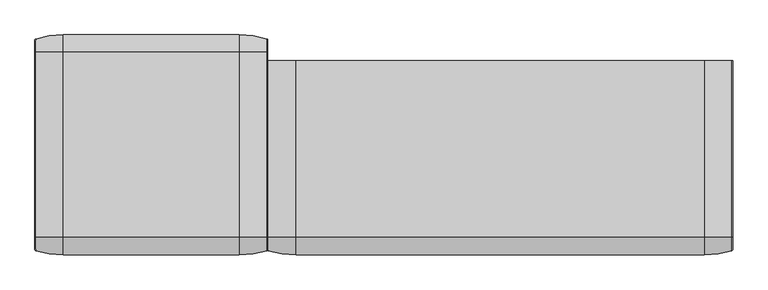
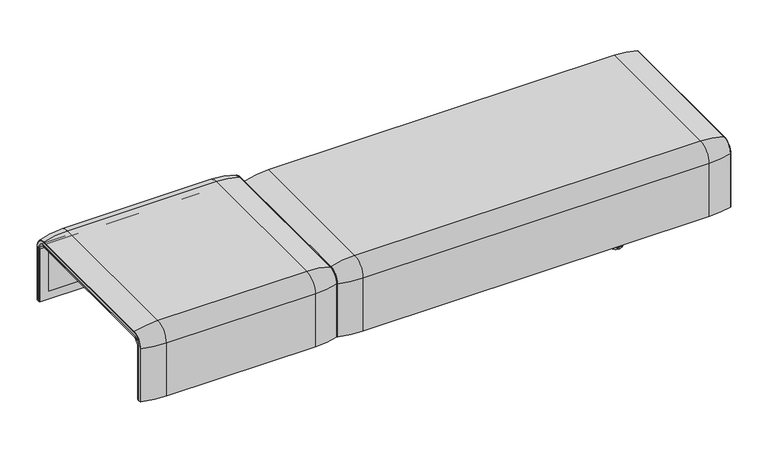
"""IFC4 building model written with IfcOpenShell, lengths in millimetres: furniture geometry."""

from ifc_helpers import new_model, si_unit, point, frame, frame_2d, origin, place, context, project, spatial, polyline, circle_curve, ellipse_curve, trimmed, segment, composite_curve, outline, extrude, source, transform, mapped, element, save
from ifc_brep_helpers import plane_surface, cylinder_surface, revolved_surface, advanced_brep


def furniture_1b96b6ef(model_context):
    return source(origin(), model_context, "Body", "SolidModel", [
        advanced_brep(
        [(-407.9906244, 295.0, 359.922434), (-407.9906244, -323.7517936, 359.922434), (-407.9906244, -351.0, 332.6742277), (-407.9906244, -351.0, 100.5089435), (-407.9906244, -357.5, 100.5089435), (-407.9906244, -357.5, 333.0583003), (-407.9906244, -324.3858663, 366.172434), (-407.9906244, 295.0, 366.172434), (1223.9718733, 295.0, 359.922434), (1223.9718733, 295.0, 366.172434), (1223.9718733, -324.3858663, 366.172434), (1223.9718733, -357.5, 333.0583003), (1223.9718733, -357.5, 100.5089435), (1223.9718733, -351.0, 100.5089435), (1223.9718733, -351.0, 332.6742277), (1223.9718733, -323.7517936, 359.922434), (-373.0906244, -324.3858663, 366.172434), (-373.0906244, 260.0, 366.172434), (1189.0718733, 260.0, 366.172434), (1189.0718733, -324.3858663, 366.172434), (-373.0906244, -357.5, 333.0583003), (1189.0718733, -357.5, 333.0583003), (1189.0718733, -357.5, 135.3766997), (-373.0906244, -357.5, 135.3766997), (-373.0906244, -351.0, 332.6742277), (-373.0906244, -351.0, 135.3766997), (1189.0718733, -351.0, 135.3766997), (1189.0718733, -351.0, 332.6742277), (-373.0906244, -323.7517936, 359.922434), (1189.0718733, -323.7517936, 359.922434), (1189.0718733, 260.0, 359.922434), (-373.0906244, 260.0, 359.922434)],
        [
            (0, 1),
            (1, 2, circle_curve(frame((-407.9906244, -323.7517936, 332.6742277), z_axis=(1.0, 0.0, 0.0), x_axis=(0.0, -1.0, 0.0)), 27.2482064)),
            (2, 3),
            (3, 4),
            (4, 5),
            (5, 6, circle_curve(frame((-407.9906244, -324.3858663, 333.0583003), z_axis=(-1.0, 0.0, 0.0), x_axis=(0.0, -1.0, 0.0)), 33.1141337)),
            (6, 7),
            (7, 0),
            (8, 9),
            (9, 10),
            (10, 11, circle_curve(frame((1223.9718733, -324.3858663, 333.0583003), z_axis=(1.0, 0.0, 0.0), x_axis=(0.0, -1.0, 0.0)), 33.1141337)),
            (11, 12),
            (12, 13),
            (13, 14),
            (14, 15, circle_curve(frame((1223.9718733, -323.7517936, 332.6742277), z_axis=(-1.0, 0.0, 0.0), x_axis=(0.0, -1.0, 0.0)), 27.2482064)),
            (15, 8),
            (7, 9),
            (8, 0),
            (6, 16),
            (16, 17),
            (17, 18),
            (18, 19),
            (19, 10),
            (5, 20),
            (20, 16, circle_curve(frame((-373.0906244, -324.3858663, 333.0583003), z_axis=(-1.0, 0.0, 0.0), x_axis=(0.0, -1.0, 0.0)), 33.1141337)),
            (19, 21, circle_curve(frame((1189.0718733, -324.3858663, 333.0583003), z_axis=(1.0, 0.0, 0.0), x_axis=(0.0, -1.0, 0.0)), 33.1141337)),
            (21, 11),
            (4, 12),
            (21, 22),
            (22, 23),
            (23, 20),
            (3, 13),
            (2, 24),
            (24, 25),
            (25, 26),
            (26, 27),
            (27, 14),
            (1, 28),
            (28, 24, circle_curve(frame((-373.0906244, -323.7517936, 332.6742277), z_axis=(1.0, 0.0, 0.0), x_axis=(0.0, -1.0, 0.0)), 27.2482064)),
            (27, 29, circle_curve(frame((1189.0718733, -323.7517936, 332.6742277), z_axis=(-1.0, 0.0, 0.0), x_axis=(0.0, -1.0, 0.0)), 27.2482064)),
            (29, 15),
            (29, 30),
            (30, 31),
            (31, 28),
            (31, 17),
            (23, 25),
            (26, 22),
            (18, 30),
        ],
        [
            plane_surface(frame((-407.9906244, -296.9265415, 359.922434), z_axis=(-1.0, 0.0, 0.0), x_axis=(0.0, -1.0, 0.0))),
            plane_surface(frame((1223.9718733, -296.9265415, 359.922434), z_axis=(1.0, 0.0, 0.0), x_axis=(0.0, 1.0, 0.0))),
            plane_surface(frame((-407.9906244, 295.0, 366.172434), z_axis=(0.0, 1.0, 0.0), x_axis=(1.0, 0.0, 0.0))),
            plane_surface(frame((-407.9906244, -324.3858663, 366.172434), z_axis=(0.0, 0.0, 1.0), x_axis=(1.0, 0.0, 0.0))),
            cylinder_surface(frame((1223.9718733, -324.3858663, 333.0583003), z_axis=(-1.0, 0.0, 0.0), x_axis=(0.0, -1.0, 0.0)), 33.1141337),
            plane_surface(frame((-407.9906244, -357.5, 100.5089435), z_axis=(0.0, -1.0, 0.0), x_axis=(1.0, 0.0, 0.0))),
            plane_surface(frame((-407.9906244, -351.0, 100.5089435), z_axis=(0.0, 0.0, -1.0), x_axis=(1.0, 0.0, 0.0))),
            plane_surface(frame((-407.9906244, -351.0, 332.6742277), z_axis=(0.0, 1.0, 0.0), x_axis=(1.0, 0.0, 0.0))),
            revolved_surface(polyline([(-373.0906244, -351.0, 332.6742277), (-407.9906243999999, -351.0, 332.6742277)]), (1223.9718733, -323.7517936, 332.6742277), (1.0, 0.0, 0.0)),
            revolved_surface(polyline([(1223.9718733, -351.0, 332.6742277), (1189.0718733, -351.0, 332.6742277)]), (1223.9718733, -323.7517936, 332.6742277), (1.0, 0.0, 0.0)),
            plane_surface(frame((-407.9906244, 295.0, 359.922434), z_axis=(0.0, 0.0, -1.0), x_axis=(1.0, 0.0, 0.0))),
            plane_surface(frame((-373.0906244, -296.9265415, 359.922434), z_axis=(1.0, 0.0, 0.0), x_axis=(0.0, -1.0, 0.0))),
            plane_surface(frame((1189.0718733, -296.9265415, 359.922434), z_axis=(-1.0, 0.0, 0.0), x_axis=(0.0, 1.0, 0.0))),
            plane_surface(frame((-373.0906244, 260.0, 366.172434), z_axis=(0.0, -1.0, 0.0), x_axis=(1.0, 0.0, 0.0))),
            plane_surface(frame((-373.0906244, -351.0, 135.3766997), z_axis=(0.0, 0.0, 1.0), x_axis=(1.0, 0.0, 0.0))),
        ],
        [
            (0, [[1, 2, 3, 4, 5, 6, 7, 8]]),
            (1, [[9, 10, 11, 12, 13, 14, 15, 16]]),
            (2, [[-8, 17, -9, 18]]),
            (3, [[-7, 19, 20, 21, 22, 23, -10, -17]]),
            (4, [[-6, 24, 25, -19]]),
            (4, [[-11, -23, 26, 27]]),
            (5, [[-5, 28, -12, -27, 29, 30, 31, -24]]),
            (6, [[-4, 32, -13, -28]]),
            (7, [[-3, 33, 34, 35, 36, 37, -14, -32]]),
            (8, [[-2, 38, 39, -33]]),
            (9, [[-15, -37, 40, 41]]),
            (10, [[-1, -18, -16, -41, 42, 43, 44, -38]]),
            (11, [[45, -20, -25, -31, 46, -34, -39, -44]]),
            (12, [[47, -29, -26, -22, 48, -42, -40, -36]]),
            (13, [[-45, -43, -48, -21]]),
            (14, [[-46, -30, -47, -35]]),
        ],
    ),
        extrude(outline(composite_curve([segment(polyline([(260.0, 359.922434), (-323.7517936, 359.922434)]), True, "CONTINUOUS"), segment(trimmed(circle_curve(frame_2d((-323.7517936, 332.6742277)), 27.2482064), [point((-323.7517936, 359.922434))], [point((-351.0, 332.6742277))], True, "CARTESIAN"), True, "CONTINUOUS"), segment(polyline([(-351.0, 332.6742277), (-351.0, 135.3766997), (-357.5, 135.3766997), (-357.5, 333.0583003)]), True, "CONTINUOUS"), segment(trimmed(circle_curve(frame_2d((-324.3858663, 333.0583003)), 33.1141337), [point((-357.5, 333.0583003))], [point((-324.3858663, 366.172434))], False, "CARTESIAN"), True, "CONTINUOUS"), segment(polyline([(-324.3858663, 366.172434), (260.0, 366.172434), (260.0, 359.922434)]), True, "CONTINUOUS")], self_intersect=False)), frame((-373.0906244, 0.0, 0.0), z_axis=(1.0, 0.0, 0.0), x_axis=(0.0, 1.0, 0.0)), (0.0, 0.0, 1.0), 1562.1624977),
        advanced_brep(
        [(-407.9906244, -368.7793679, 100.5089435), (-407.9906244, -357.5, 100.5089435), (1223.9718733, -357.5, 100.5089435), (1223.9718733, -368.7793679, 100.5089435), (1221.8332448, -371.6530483, 100.5089435), (1123.9718733, -386.0043559, 100.5089435), (-307.9906244, -386.0043559, 100.5089435), (-405.8519959, -371.6530483, 100.5089435), (-407.9906244, 295.0, 377.4518019), (-405.8519959, 295.0, 380.3254823), (-307.9906244, 295.0, 394.67679), (1123.9718733, 295.0, 394.67679), (1221.8332448, 295.0, 380.3254823), (1223.9718733, 295.0, 377.4518019), (1223.9718733, 295.0, 366.172434), (-407.9906244, 295.0, 366.172434), (-407.9906244, -368.7793679, 333.0583003), (-407.9906244, -324.3858663, 377.4518019), (-407.9906244, -324.3858663, 366.172434), (-407.9906244, -357.5, 333.0583003), (1223.9718733, -357.5, 333.0583003), (1123.9718733, -386.0043559, 333.0583003), (-307.9906244, -386.0043559, 333.0583003), (-405.8519959, -371.6530483, 333.0583003), (1223.9718733, -324.3858663, 366.172434), (-307.9906244, -324.3858663, 394.67679), (1123.9718733, -324.3858663, 394.67679), (-405.8519959, -324.3858663, 380.3254823), (1223.9718733, -324.3858663, 377.4518019), (1223.9718733, -368.7793679, 333.0583003), (1221.8332448, -371.6530483, 333.0583003), (1221.8332448, -324.3858663, 380.3254823)],
        [
            (0, 1),
            (1, 2),
            (2, 3),
            (3, 4, circle_curve(frame((1220.9718733, -368.7793679, 100.5089435), z_axis=(0.0, 0.0, -1.0), x_axis=(-1.0, 0.0, 0.0)), 3.0)),
            (4, 5, circle_curve(frame((1123.9718733, -45.1710226, 100.5089435), z_axis=(0.0, 0.0, -1.0), x_axis=(0.0, 1.0, 0.0)), 340.8333333)),
            (5, 6),
            (6, 7, circle_curve(frame((-307.9906244, -45.1710226, 100.5089435), z_axis=(0.0, 0.0, -1.0), x_axis=(0.0, 1.0, 0.0)), 340.8333333)),
            (7, 0, circle_curve(frame((-404.9906244, -368.7793679, 100.5089435), z_axis=(0.0, 0.0, -1.0), x_axis=(1.0, 0.0, 0.0)), 3.0)),
            (8, 9, circle_curve(frame((-404.9906244, 295.0, 377.4518019), z_axis=(0.0, 1.0, 0.0), x_axis=(1.0, 0.0, 0.0)), 3.0)),
            (9, 10, circle_curve(frame((-307.9906244, 295.0, 53.8434566), z_axis=(0.0, 1.0, 0.0), x_axis=(0.0, 0.0, -1.0)), 340.8333333)),
            (10, 11),
            (11, 12, circle_curve(frame((1123.9718733, 295.0, 53.8434566), z_axis=(0.0, 1.0, 0.0), x_axis=(0.0, 0.0, -1.0)), 340.8333333)),
            (12, 13, circle_curve(frame((1220.9718733, 295.0, 377.4518019), z_axis=(0.0, 1.0, 0.0), x_axis=(-1.0, 0.0, 0.0)), 3.0)),
            (13, 14),
            (14, 15),
            (15, 8),
            (0, 16),
            (16, 17, circle_curve(frame((-407.9906244, -324.3858663, 333.0583003), z_axis=(-1.0, 0.0, 0.0), x_axis=(0.0, -1.0, 0.0)), 44.3935016)),
            (17, 8),
            (15, 18),
            (18, 19, circle_curve(frame((-407.9906244, -324.3858663, 333.0583003), z_axis=(1.0, 0.0, 0.0), x_axis=(0.0, -1.0, 0.0)), 33.1141337)),
            (19, 1),
            (19, 20),
            (20, 2),
            (5, 21),
            (21, 22),
            (22, 6),
            (22, 23, circle_curve(frame((-307.9906244, -45.1710226, 333.0583003), z_axis=(0.0, 0.0, -1.0), x_axis=(0.0, 1.0, 0.0)), 340.8333333)),
            (23, 7),
            (23, 16, circle_curve(frame((-404.9906244, -368.7793679, 333.0583003), z_axis=(0.0, 0.0, -1.0), x_axis=(1.0, 0.0, 0.0)), 3.0)),
            (24, 20, circle_curve(frame((1223.9718733, -324.3858663, 333.0583003), z_axis=(1.0, 0.0, 0.0), x_axis=(0.0, -1.0, 0.0)), 33.1141337)),
            (18, 24),
            (25, 22, circle_curve(frame((-307.9906244, -324.3858663, 333.0583003), z_axis=(1.0, 0.0, 0.0), x_axis=(0.0, -1.0, 0.0)), 61.6184897)),
            (21, 26, circle_curve(frame((1123.9718733, -324.3858663, 333.0583003), z_axis=(-1.0, 0.0, 0.0), x_axis=(0.0, -1.0, 0.0)), 61.6184897)),
            (26, 25),
            (27, 23, circle_curve(frame((-405.8519959, -324.3858663, 333.0583003), z_axis=(1.0, 0.0, 0.0), x_axis=(0.0, -1.0, 0.0)), 47.267182)),
            (25, 27, circle_curve(frame((-307.9906244, -324.3858663, 53.8434566), z_axis=(0.0, -1.0, 0.0), x_axis=(0.0, 0.0, -1.0)), 340.8333333)),
            (27, 17, circle_curve(frame((-404.9906244, -324.3858663, 377.4518019), z_axis=(0.0, -1.0, 0.0), x_axis=(1.0, 0.0, 0.0)), 3.0)),
            (14, 24),
            (26, 11),
            (10, 25),
            (9, 27),
            (13, 28),
            (28, 29, circle_curve(frame((1223.9718733, -324.3858663, 333.0583003), z_axis=(1.0, 0.0, 0.0), x_axis=(0.0, -1.0, 0.0)), 44.3935016)),
            (29, 3),
            (29, 30, circle_curve(frame((1220.9718733, -368.7793679, 333.0583003), z_axis=(0.0, 0.0, -1.0), x_axis=(-1.0, 0.0, 0.0)), 3.0)),
            (30, 4),
            (30, 21, circle_curve(frame((1123.9718733, -45.1710226, 333.0583003), z_axis=(0.0, 0.0, -1.0), x_axis=(0.0, 1.0, 0.0)), 340.8333333)),
            (31, 30, circle_curve(frame((1221.8332448, -324.3858663, 333.0583003), z_axis=(1.0, 0.0, 0.0), x_axis=(0.0, -1.0, 0.0)), 47.267182)),
            (28, 31, circle_curve(frame((1220.9718733, -324.3858663, 377.4518019), z_axis=(0.0, -1.0, 0.0), x_axis=(-1.0, 0.0, 0.0)), 3.0)),
            (31, 26, circle_curve(frame((1123.9718733, -324.3858663, 53.8434566), z_axis=(0.0, -1.0, 0.0), x_axis=(0.0, 0.0, -1.0)), 340.8333333)),
            (12, 31),
        ],
        [
            plane_surface(frame((-407.9906244, -357.5, 100.5089435), z_axis=(0.0, 0.0, -1.0), x_axis=(1.0, 0.0, 0.0))),
            plane_surface(frame((-407.9906244, 295.0, 366.172434), z_axis=(0.0, 1.0, 0.0), x_axis=(1.0, 0.0, 0.0))),
            plane_surface(frame((-407.9906244, -368.7793679, 100.5089435), z_axis=(-1.0, 0.0, 0.0), x_axis=(0.0, 0.0, 1.0))),
            plane_surface(frame((-407.9906244, -357.5, 100.5089435), z_axis=(0.0, 1.0, 0.0), x_axis=(0.0, 0.0, 1.0))),
            plane_surface(frame((1123.9718733, -386.0043559, 100.5089435), z_axis=(0.0, -1.0, 0.0), x_axis=(0.0, 0.0, 1.0))),
            cylinder_surface(frame((-307.9906244, -45.1710226, 100.5089435), z_axis=(0.0, 0.0, -1.0), x_axis=(0.0, 1.0, 0.0)), 340.8333333),
            cylinder_surface(frame((-404.9906244, -368.7793679, 100.5089435), z_axis=(0.0, 0.0, -1.0), x_axis=(1.0, 0.0, 0.0)), 3.0),
            revolved_surface(polyline([(-407.9906244, -357.5, 333.0583003), (1223.9718733, -357.5, 333.0583003)]), (-407.9906244, -324.3858663, 333.0583003), (-1.0, 0.0, 0.0)),
            cylinder_surface(frame((-407.9906244, -324.3858663, 333.0583003), z_axis=(-1.0, 0.0, 0.0), x_axis=(0.0, -1.0, 0.0)), 61.6184897),
            revolved_surface(trimmed(ellipse_curve(frame((-307.9906244, -45.1710226, 333.0583003), z_axis=(0.0, 0.0, -1.0), x_axis=(0.0, 1.0, 0.0)), 340.8333333, 340.8333333), [point((-307.9906244, -386.0043559, 333.0583003))], [point((-405.8519959, -371.6530483, 333.0583003))], True, "CARTESIAN"), (-407.9906244, -324.3858663, 333.0583003), (-1.0, 0.0, 0.0)),
            revolved_surface(trimmed(ellipse_curve(frame((-404.9906244, -368.7793679, 333.0583003), z_axis=(0.0, 0.0, -1.0), x_axis=(1.0, 0.0, 0.0)), 3.0, 3.0), [point((-405.8519959, -371.6530483, 333.0583003))], [point((-407.9906244, -368.7793679, 333.0583003))], True, "CARTESIAN"), (-407.9906244, -324.3858663, 333.0583003), (-1.0, 0.0, 0.0)),
            plane_surface(frame((-407.9906244, -324.3858663, 366.172434), z_axis=(0.0, 0.0, -1.0), x_axis=(0.0, 1.0, 0.0))),
            plane_surface(frame((1123.9718733, -324.3858663, 394.67679), z_axis=(0.0, 0.0, 1.0), x_axis=(0.0, 1.0, 0.0))),
            cylinder_surface(frame((-307.9906244, -324.3858663, 53.8434566), z_axis=(0.0, -1.0, 0.0), x_axis=(0.0, 0.0, -1.0)), 340.8333333),
            cylinder_surface(frame((-404.9906244, -324.3858663, 377.4518019), z_axis=(0.0, -1.0, 0.0), x_axis=(1.0, 0.0, 0.0)), 3.0),
            plane_surface(frame((1223.9718733, -357.5, 100.5089435), z_axis=(1.0, 0.0, 0.0), x_axis=(0.0, 0.0, 1.0))),
            cylinder_surface(frame((1220.9718733, -368.7793679, 100.5089435), z_axis=(0.0, 0.0, -1.0), x_axis=(-1.0, 0.0, 0.0)), 3.0),
            cylinder_surface(frame((1123.9718733, -45.1710226, 100.5089435), z_axis=(0.0, 0.0, -1.0), x_axis=(0.0, 1.0, 0.0)), 340.8333333),
            revolved_surface(trimmed(ellipse_curve(frame((1220.9718733, -368.7793679, 333.0583003), z_axis=(0.0, 0.0, -1.0), x_axis=(-1.0, 0.0, 0.0)), 3.0, 3.0), [point((1223.9718733, -368.7793679, 333.0583003))], [point((1221.8332448, -371.6530483, 333.0583003))], True, "CARTESIAN"), (-407.9906244, -324.3858663, 333.0583003), (-1.0, 0.0, 0.0)),
            revolved_surface(trimmed(ellipse_curve(frame((1123.9718733, -45.1710226, 333.0583003), z_axis=(0.0, 0.0, -1.0), x_axis=(0.0, 1.0, 0.0)), 340.8333333, 340.8333333), [point((1221.8332448, -371.6530483, 333.0583003))], [point((1123.9718733, -386.0043559, 333.0583003))], True, "CARTESIAN"), (-407.9906244, -324.3858663, 333.0583003), (-1.0, 0.0, 0.0)),
            cylinder_surface(frame((1220.9718733, -324.3858663, 377.4518019), z_axis=(0.0, -1.0, 0.0), x_axis=(-1.0, 0.0, 0.0)), 3.0),
            cylinder_surface(frame((1123.9718733, -324.3858663, 53.8434566), z_axis=(0.0, -1.0, 0.0), x_axis=(0.0, 0.0, -1.0)), 340.8333333),
        ],
        [
            (0, [[1, 2, 3, 4, 5, 6, 7, 8]]),
            (1, [[9, 10, 11, 12, 13, 14, 15, 16]]),
            (2, [[-1, 17, 18, 19, -16, 20, 21, 22]]),
            (3, [[-2, -22, 23, 24]]),
            (4, [[-6, 25, 26, 27]]),
            (5, [[-7, -27, 28, 29]]),
            (6, [[-8, -29, 30, -17]]),
            (7, [[31, -23, -21, 32]]),
            (8, [[33, -26, 34, 35]]),
            (9, [[36, -28, -33, 37]]),
            (10, [[-18, -30, -36, 38]]),
            (11, [[-32, -20, -15, 39]]),
            (12, [[-35, 40, -11, 41]]),
            (13, [[-37, -41, -10, 42]]),
            (14, [[-38, -42, -9, -19]]),
            (15, [[-3, -24, -31, -39, -14, 43, 44, 45]]),
            (16, [[-4, -45, 46, 47]]),
            (17, [[-5, -47, 48, -25]]),
            (18, [[49, -46, -44, 50]]),
            (19, [[-34, -48, -49, 51]]),
            (20, [[-50, -43, -13, 52]]),
            (21, [[-51, -52, -12, -40]]),
        ],
    ),
        advanced_brep(
        [(-1223.9718733, 323.7517936, 359.922434), (-1223.9718733, -323.7517936, 359.922434), (-1223.9718733, -351.0, 332.6742277), (-1223.9718733, -351.0, 100.5089435), (-1223.9718733, -357.5, 100.5089435), (-1223.9718733, -357.5, 333.0583003), (-1223.9718733, -324.3858663, 366.172434), (-1223.9718733, 324.3858663, 366.172434), (-1223.9718733, 357.5, 333.0583003), (-1223.9718733, 357.5, 100.5089435), (-1223.9718733, 351.0, 100.5089435), (-1223.9718733, 351.0, 332.6742277), (-407.9906244, 323.7517936, 359.922434), (-407.9906244, 351.0, 332.6742277), (-407.9906244, 351.0, 100.5089435), (-407.9906244, 357.5, 100.5089435), (-407.9906244, 357.5, 333.0583003), (-407.9906244, 324.3858663, 366.172434), (-407.9906244, -324.3858663, 366.172434), (-407.9906244, -357.5, 333.0583003), (-407.9906244, -357.5, 100.5089435), (-407.9906244, -351.0, 100.5089435), (-407.9906244, -351.0, 332.6742277), (-407.9906244, -323.7517936, 359.922434), (-1189.0718733, -324.3858663, 366.172434), (-1189.0718733, 324.3858663, 366.172434), (-442.8906244, 324.3858663, 366.172434), (-442.8906244, -324.3858663, 366.172434), (-1189.0718733, -357.5, 333.0583003), (-442.8906244, -357.5, 333.0583003), (-442.8906244, -357.5, 135.3766997), (-1189.0718733, -357.5, 135.3766997), (-1189.0718733, -351.0, 332.6742277), (-1189.0718733, -351.0, 135.3766997), (-442.8906244, -351.0, 135.3766997), (-442.8906244, -351.0, 332.6742277), (-1189.0718733, -323.7517936, 359.922434), (-442.8906244, -323.7517936, 359.922434), (-1189.0718733, 323.7517936, 359.922434), (-442.8906244, 323.7517936, 359.922434), (-1189.0718733, 357.5, 333.0583003), (-442.8906244, 357.5, 333.0583003), (-1189.0718733, 357.5, 135.3766997), (-442.8906244, 357.5, 135.3766997), (-442.8906244, 351.0, 332.6742277), (-442.8906244, 351.0, 135.3766997), (-1189.0718733, 351.0, 135.3766997), (-1189.0718733, 351.0, 332.6742277)],
        [
            (0, 1),
            (1, 2, circle_curve(frame((-1223.9718733, -323.7517936, 332.6742277), z_axis=(1.0, 0.0, 0.0), x_axis=(0.0, -1.0, 0.0)), 27.2482064)),
            (2, 3),
            (3, 4),
            (4, 5),
            (5, 6, circle_curve(frame((-1223.9718733, -324.3858663, 333.0583003), z_axis=(-1.0, 0.0, 0.0), x_axis=(0.0, -1.0, 0.0)), 33.1141337)),
            (6, 7),
            (7, 8, circle_curve(frame((-1223.9718733, 324.3858663, 333.0583003), z_axis=(-1.0, 0.0, 0.0), x_axis=(0.0, 1.0, 0.0)), 33.1141337)),
            (8, 9),
            (9, 10),
            (10, 11),
            (11, 0, circle_curve(frame((-1223.9718733, 323.7517936, 332.6742277), z_axis=(1.0, 0.0, 0.0), x_axis=(0.0, 1.0, 0.0)), 27.2482064)),
            (12, 13, circle_curve(frame((-407.9906244, 323.7517936, 332.6742277), z_axis=(-1.0, 0.0, 0.0), x_axis=(0.0, 1.0, 0.0)), 27.2482064)),
            (13, 14),
            (14, 15),
            (15, 16),
            (16, 17, circle_curve(frame((-407.9906244, 324.3858663, 333.0583003), z_axis=(1.0, 0.0, 0.0), x_axis=(0.0, 1.0, 0.0)), 33.1141337)),
            (17, 18),
            (18, 19, circle_curve(frame((-407.9906244, -324.3858663, 333.0583003), z_axis=(1.0, 0.0, 0.0), x_axis=(0.0, -1.0, 0.0)), 33.1141337)),
            (19, 20),
            (20, 21),
            (21, 22),
            (22, 23, circle_curve(frame((-407.9906244, -323.7517936, 332.6742277), z_axis=(-1.0, 0.0, 0.0), x_axis=(0.0, -1.0, 0.0)), 27.2482064)),
            (23, 12),
            (6, 24),
            (24, 25),
            (25, 7),
            (17, 26),
            (26, 27),
            (27, 18),
            (5, 28),
            (28, 24, circle_curve(frame((-1189.0718733, -324.3858663, 333.0583003), z_axis=(-1.0, 0.0, 0.0), x_axis=(0.0, -1.0, 0.0)), 33.1141337)),
            (27, 29, circle_curve(frame((-442.8906244, -324.3858663, 333.0583003), z_axis=(1.0, 0.0, 0.0), x_axis=(0.0, -1.0, 0.0)), 33.1141337)),
            (29, 19),
            (4, 20),
            (29, 30),
            (30, 31),
            (31, 28),
            (3, 21),
            (2, 32),
            (32, 33),
            (33, 34),
            (34, 35),
            (35, 22),
            (1, 36),
            (36, 32, circle_curve(frame((-1189.0718733, -323.7517936, 332.6742277), z_axis=(1.0, 0.0, 0.0), x_axis=(0.0, -1.0, 0.0)), 27.2482064)),
            (35, 37, circle_curve(frame((-442.8906244, -323.7517936, 332.6742277), z_axis=(-1.0, 0.0, 0.0), x_axis=(0.0, -1.0, 0.0)), 27.2482064)),
            (37, 23),
            (0, 38),
            (38, 36),
            (37, 39),
            (39, 12),
            (25, 40, circle_curve(frame((-1189.0718733, 324.3858663, 333.0583003), z_axis=(-1.0, 0.0, 0.0), x_axis=(0.0, 1.0, 0.0)), 33.1141337)),
            (40, 8),
            (16, 41),
            (41, 26, circle_curve(frame((-442.8906244, 324.3858663, 333.0583003), z_axis=(1.0, 0.0, 0.0), x_axis=(0.0, 1.0, 0.0)), 33.1141337)),
            (40, 42),
            (42, 43),
            (43, 41),
            (15, 9),
            (14, 10),
            (13, 44),
            (44, 45),
            (45, 46),
            (46, 47),
            (47, 11),
            (47, 38, circle_curve(frame((-1189.0718733, 323.7517936, 332.6742277), z_axis=(1.0, 0.0, 0.0), x_axis=(0.0, 1.0, 0.0)), 27.2482064)),
            (39, 44, circle_curve(frame((-442.8906244, 323.7517936, 332.6742277), z_axis=(-1.0, 0.0, 0.0), x_axis=(0.0, 1.0, 0.0)), 27.2482064)),
            (46, 42),
            (31, 33),
            (34, 30),
            (43, 45),
        ],
        [
            plane_surface(frame((-1223.9718733, -296.9265415, 359.922434), z_axis=(-1.0, 0.0, 0.0), x_axis=(0.0, -1.0, 0.0))),
            plane_surface(frame((-407.9906244, -296.9265415, 359.922434), z_axis=(1.0, 0.0, 0.0), x_axis=(0.0, 1.0, 0.0))),
            plane_surface(frame((-1223.9718733, -324.3858663, 366.172434), z_axis=(0.0, 0.0, 1.0), x_axis=(1.0, 0.0, 0.0))),
            cylinder_surface(frame((-407.9906244, -324.3858663, 333.0583003), z_axis=(-1.0, 0.0, 0.0), x_axis=(0.0, -1.0, 0.0)), 33.1141337),
            plane_surface(frame((-1223.9718733, -357.5, 100.5089435), z_axis=(0.0, -1.0, 0.0), x_axis=(1.0, 0.0, 0.0))),
            plane_surface(frame((-1223.9718733, -351.0, 100.5089435), z_axis=(0.0, 0.0, -1.0), x_axis=(1.0, 0.0, 0.0))),
            plane_surface(frame((-1223.9718733, -351.0, 332.6742277), z_axis=(0.0, 1.0, 0.0), x_axis=(1.0, 0.0, 0.0))),
            revolved_surface(polyline([(-1189.0718733, -351.0, 332.6742277), (-1223.9718733, -351.0, 332.6742277)]), (-407.9906244, -323.7517936, 332.6742277), (1.0, 0.0, 0.0)),
            revolved_surface(polyline([(-407.9906244, -351.0, 332.6742277), (-442.8906244, -351.0, 332.6742277)]), (-407.9906244, -323.7517936, 332.6742277), (1.0, 0.0, 0.0)),
            plane_surface(frame((-1223.9718733, 323.7517936, 359.922434), z_axis=(0.0, 0.0, -1.0), x_axis=(1.0, 0.0, 0.0))),
            cylinder_surface(frame((-407.9906244, 324.3858663, 333.0583003), z_axis=(-1.0, 0.0, 0.0), x_axis=(0.0, 1.0, 0.0)), 33.1141337),
            plane_surface(frame((-1223.9718733, 357.5, 333.0583003), z_axis=(0.0, 1.0, 0.0), x_axis=(1.0, 0.0, 0.0))),
            plane_surface(frame((-1223.9718733, 357.5, 100.5089435), z_axis=(0.0, 0.0, -1.0), x_axis=(1.0, 0.0, 0.0))),
            plane_surface(frame((-1223.9718733, 351.0, 100.5089435), z_axis=(0.0, -1.0, 0.0), x_axis=(1.0, 0.0, 0.0))),
            revolved_surface(polyline([(-1189.0718733, 351.0, 332.6742277), (-1223.9718733, 351.0, 332.6742277)]), (-407.9906244, 323.7517936, 332.6742277), (1.0, 0.0, 0.0)),
            revolved_surface(polyline([(-407.9906244, 351.0, 332.6742277), (-442.8906244, 351.0, 332.6742277)]), (-407.9906244, 323.7517936, 332.6742277), (1.0, 0.0, 0.0)),
            plane_surface(frame((-1189.0718733, -296.9265415, 359.922434), z_axis=(1.0, 0.0, 0.0), x_axis=(0.0, -1.0, 0.0))),
            plane_surface(frame((-442.8906244, -296.9265415, 359.922434), z_axis=(-1.0, 0.0, 0.0), x_axis=(0.0, 1.0, 0.0))),
            plane_surface(frame((-1189.0718733, -351.0, 135.3766997), z_axis=(0.0, 0.0, 1.0), x_axis=(1.0, 0.0, 0.0))),
            plane_surface(frame((-1189.0718733, 357.5, 135.3766997), z_axis=(0.0, 0.0, 1.0), x_axis=(1.0, 0.0, 0.0))),
        ],
        [
            (0, [[1, 2, 3, 4, 5, 6, 7, 8, 9, 10, 11, 12]]),
            (1, [[13, 14, 15, 16, 17, 18, 19, 20, 21, 22, 23, 24]]),
            (2, [[-7, 25, 26, 27]]),
            (2, [[-18, 28, 29, 30]]),
            (3, [[-6, 31, 32, -25]]),
            (3, [[-19, -30, 33, 34]]),
            (4, [[-5, 35, -20, -34, 36, 37, 38, -31]]),
            (5, [[-4, 39, -21, -35]]),
            (6, [[-3, 40, 41, 42, 43, 44, -22, -39]]),
            (7, [[-2, 45, 46, -40]]),
            (8, [[-23, -44, 47, 48]]),
            (9, [[-1, 49, 50, -45]]),
            (9, [[-24, -48, 51, 52]]),
            (10, [[-8, -27, 53, 54]]),
            (10, [[-17, 55, 56, -28]]),
            (11, [[-9, -54, 57, 58, 59, -55, -16, 60]]),
            (12, [[-10, -60, -15, 61]]),
            (13, [[-11, -61, -14, 62, 63, 64, 65, 66]]),
            (14, [[-12, -66, 67, -49]]),
            (15, [[-13, -52, 68, -62]]),
            (16, [[69, -57, -53, -26, -32, -38, 70, -41, -46, -50, -67, -65]]),
            (17, [[71, -36, -33, -29, -56, -59, 72, -63, -68, -51, -47, -43]]),
            (18, [[-70, -37, -71, -42]]),
            (19, [[-69, -64, -72, -58]]),
        ],
    ),
        extrude(outline(composite_curve([segment(polyline([(323.7517936, 359.922434), (-323.7517936, 359.922434)]), True, "CONTINUOUS"), segment(trimmed(circle_curve(frame_2d((-323.7517936, 332.6742277)), 27.2482064), [point((-323.7517936, 359.922434))], [point((-351.0, 332.6742277))], True, "CARTESIAN"), True, "CONTINUOUS"), segment(polyline([(-351.0, 332.6742277), (-351.0, 135.3766997), (-357.5, 135.3766997), (-357.5, 333.0583003)]), True, "CONTINUOUS"), segment(trimmed(circle_curve(frame_2d((-324.3858663, 333.0583003)), 33.1141337), [point((-357.5, 333.0583003))], [point((-324.3858663, 366.172434))], False, "CARTESIAN"), True, "CONTINUOUS"), segment(polyline([(-324.3858663, 366.172434), (324.3858663, 366.172434)]), True, "CONTINUOUS"), segment(trimmed(circle_curve(frame_2d((324.3858663, 333.0583003)), 33.1141337), [point((324.3858663, 366.172434))], [point((357.5, 333.0583003))], False, "CARTESIAN"), True, "CONTINUOUS"), segment(polyline([(357.5, 333.0583003), (357.5, 135.3766997), (351.0, 135.3766997), (351.0, 332.6742277)]), True, "CONTINUOUS"), segment(trimmed(circle_curve(frame_2d((323.7517936, 332.6742277)), 27.2482064), [point((351.0, 332.6742277))], [point((323.7517936, 359.922434))], True, "CARTESIAN"), True, "CONTINUOUS")], self_intersect=False)), frame((-1189.0718733, 0.0, 0.0), z_axis=(1.0, 0.0, 0.0), x_axis=(0.0, 1.0, 0.0)), (0.0, 0.0, 1.0), 746.1812488),
        advanced_brep(
        [(-1223.9718733, -368.7793679, 100.5089435), (-1223.9718733, -357.5, 100.5089435), (-407.9906244, -357.5, 100.5089435), (-407.9906244, -368.7793679, 100.5089435), (-410.1292529, -371.6530483, 100.5089435), (-507.9906244, -386.0043559, 100.5089435), (-1123.9718733, -386.0043559, 100.5089435), (-1221.8332448, -371.6530483, 100.5089435), (-1223.9718733, 368.7793679, 100.5089435), (-1221.8332448, 371.6530483, 100.5089435), (-1123.9718733, 386.0043559, 100.5089435), (-507.9906244, 386.0043559, 100.5089435), (-410.1292529, 371.6530483, 100.5089435), (-407.9906244, 368.7793679, 100.5089435), (-407.9906244, 357.5, 100.5089435), (-1223.9718733, 357.5, 100.5089435), (-1223.9718733, -368.7793679, 333.0583003), (-1223.9718733, -324.3858663, 377.4518019), (-1223.9718733, 324.3858663, 377.4518019), (-1223.9718733, 368.7793679, 333.0583003), (-1223.9718733, 357.5, 333.0583003), (-1223.9718733, 324.3858663, 366.172434), (-1223.9718733, -324.3858663, 366.172434), (-1223.9718733, -357.5, 333.0583003), (-407.9906244, -357.5, 333.0583003), (-507.9906244, -386.0043559, 333.0583003), (-1123.9718733, -386.0043559, 333.0583003), (-1221.8332448, -371.6530483, 333.0583003), (-407.9906244, -324.3858663, 366.172434), (-1123.9718733, -324.3858663, 394.67679), (-507.9906244, -324.3858663, 394.67679), (-1221.8332448, -324.3858663, 380.3254823), (-407.9906244, 324.3858663, 366.172434), (-507.9906244, 324.3858663, 394.67679), (-1123.9718733, 324.3858663, 394.67679), (-1221.8332448, 324.3858663, 380.3254823), (-407.9906244, 357.5, 333.0583003), (-1123.9718733, 386.0043559, 333.0583003), (-507.9906244, 386.0043559, 333.0583003), (-1221.8332448, 371.6530483, 333.0583003), (-407.9906244, 368.7793679, 333.0583003), (-407.9906244, 324.3858663, 377.4518019), (-407.9906244, -324.3858663, 377.4518019), (-407.9906244, -368.7793679, 333.0583003), (-410.1292529, -371.6530483, 333.0583003), (-410.1292529, -324.3858663, 380.3254823), (-410.1292529, 324.3858663, 380.3254823), (-410.1292529, 371.6530483, 333.0583003)],
        [
            (0, 1),
            (1, 2),
            (2, 3),
            (3, 4, circle_curve(frame((-410.9906244, -368.7793679, 100.5089435), z_axis=(0.0, 0.0, -1.0), x_axis=(-1.0, 0.0, 0.0)), 3.0)),
            (4, 5, circle_curve(frame((-507.9906244, -45.1710226, 100.5089435), z_axis=(0.0, 0.0, -1.0), x_axis=(0.0, 1.0, 0.0)), 340.8333333)),
            (5, 6),
            (6, 7, circle_curve(frame((-1123.9718733, -45.1710226, 100.5089435), z_axis=(0.0, 0.0, -1.0), x_axis=(0.0, 1.0, 0.0)), 340.8333333)),
            (7, 0, circle_curve(frame((-1220.9718733, -368.7793679, 100.5089435), z_axis=(0.0, 0.0, -1.0), x_axis=(1.0, 0.0, 0.0)), 3.0)),
            (8, 9, circle_curve(frame((-1220.9718733, 368.7793679, 100.5089435), z_axis=(0.0, 0.0, -1.0), x_axis=(1.0, 0.0, 0.0)), 3.0)),
            (9, 10, circle_curve(frame((-1123.9718733, 45.1710226, 100.5089435), z_axis=(0.0, 0.0, -1.0), x_axis=(0.0, -1.0, 0.0)), 340.8333333)),
            (10, 11),
            (11, 12, circle_curve(frame((-507.9906244, 45.1710226, 100.5089435), z_axis=(0.0, 0.0, -1.0), x_axis=(0.0, -1.0, 0.0)), 340.8333333)),
            (12, 13, circle_curve(frame((-410.9906244, 368.7793679, 100.5089435), z_axis=(0.0, 0.0, -1.0), x_axis=(-1.0, 0.0, 0.0)), 3.0)),
            (13, 14),
            (14, 15),
            (15, 8),
            (0, 16),
            (16, 17, circle_curve(frame((-1223.9718733, -324.3858663, 333.0583003), z_axis=(-1.0, 0.0, 0.0), x_axis=(0.0, -1.0, 0.0)), 44.3935016)),
            (17, 18),
            (18, 19, circle_curve(frame((-1223.9718733, 324.3858663, 333.0583003), z_axis=(-1.0, 0.0, 0.0), x_axis=(0.0, 0.0, 1.0)), 44.3935016)),
            (19, 8),
            (15, 20),
            (20, 21, circle_curve(frame((-1223.9718733, 324.3858663, 333.0583003), z_axis=(1.0, 0.0, 0.0), x_axis=(0.0, 0.0, 1.0)), 33.1141337)),
            (21, 22),
            (22, 23, circle_curve(frame((-1223.9718733, -324.3858663, 333.0583003), z_axis=(1.0, 0.0, 0.0), x_axis=(0.0, -1.0, 0.0)), 33.1141337)),
            (23, 1),
            (23, 24),
            (24, 2),
            (5, 25),
            (25, 26),
            (26, 6),
            (26, 27, circle_curve(frame((-1123.9718733, -45.1710226, 333.0583003), z_axis=(0.0, 0.0, -1.0), x_axis=(0.0, 1.0, 0.0)), 340.8333333)),
            (27, 7),
            (27, 16, circle_curve(frame((-1220.9718733, -368.7793679, 333.0583003), z_axis=(0.0, 0.0, -1.0), x_axis=(1.0, 0.0, 0.0)), 3.0)),
            (28, 24, circle_curve(frame((-407.9906244, -324.3858663, 333.0583003), z_axis=(1.0, 0.0, 0.0), x_axis=(0.0, -1.0, 0.0)), 33.1141337)),
            (22, 28),
            (29, 26, circle_curve(frame((-1123.9718733, -324.3858663, 333.0583003), z_axis=(1.0, 0.0, 0.0), x_axis=(0.0, -1.0, 0.0)), 61.6184897)),
            (25, 30, circle_curve(frame((-507.9906244, -324.3858663, 333.0583003), z_axis=(-1.0, 0.0, 0.0), x_axis=(0.0, -1.0, 0.0)), 61.6184897)),
            (30, 29),
            (31, 27, circle_curve(frame((-1221.8332448, -324.3858663, 333.0583003), z_axis=(1.0, 0.0, 0.0), x_axis=(0.0, -1.0, 0.0)), 47.267182)),
            (29, 31, circle_curve(frame((-1123.9718733, -324.3858663, 53.8434566), z_axis=(0.0, -1.0, 0.0), x_axis=(0.0, 0.0, -1.0)), 340.8333333)),
            (31, 17, circle_curve(frame((-1220.9718733, -324.3858663, 377.4518019), z_axis=(0.0, -1.0, 0.0), x_axis=(1.0, 0.0, 0.0)), 3.0)),
            (21, 32),
            (32, 28),
            (30, 33),
            (33, 34),
            (34, 29),
            (34, 35, circle_curve(frame((-1123.9718733, 324.3858663, 53.8434566), z_axis=(0.0, -1.0, 0.0), x_axis=(0.0, 0.0, -1.0)), 340.8333333)),
            (35, 31),
            (35, 18, circle_curve(frame((-1220.9718733, 324.3858663, 377.4518019), z_axis=(0.0, -1.0, 0.0), x_axis=(1.0, 0.0, 0.0)), 3.0)),
            (36, 32, circle_curve(frame((-407.9906244, 324.3858663, 333.0583003), z_axis=(1.0, 0.0, 0.0), x_axis=(0.0, 0.0, 1.0)), 33.1141337)),
            (20, 36),
            (37, 34, circle_curve(frame((-1123.9718733, 324.3858663, 333.0583003), z_axis=(1.0, 0.0, 0.0), x_axis=(0.0, 0.0, 1.0)), 61.6184897)),
            (33, 38, circle_curve(frame((-507.9906244, 324.3858663, 333.0583003), z_axis=(-1.0, 0.0, 0.0), x_axis=(0.0, 0.0, 1.0)), 61.6184897)),
            (38, 37),
            (39, 35, circle_curve(frame((-1221.8332448, 324.3858663, 333.0583003), z_axis=(1.0, 0.0, 0.0), x_axis=(0.0, 0.0, 1.0)), 47.267182)),
            (37, 39, circle_curve(frame((-1123.9718733, 45.1710226, 333.0583003), z_axis=(0.0, 0.0, 1.0), x_axis=(0.0, -1.0, 0.0)), 340.8333333)),
            (39, 19, circle_curve(frame((-1220.9718733, 368.7793679, 333.0583003), z_axis=(0.0, 0.0, 1.0), x_axis=(1.0, 0.0, 0.0)), 3.0)),
            (14, 36),
            (38, 11),
            (10, 37),
            (9, 39),
            (13, 40),
            (40, 41, circle_curve(frame((-407.9906244, 324.3858663, 333.0583003), z_axis=(1.0, 0.0, 0.0), x_axis=(0.0, 0.0, 1.0)), 44.3935016)),
            (41, 42),
            (42, 43, circle_curve(frame((-407.9906244, -324.3858663, 333.0583003), z_axis=(1.0, 0.0, 0.0), x_axis=(0.0, -1.0, 0.0)), 44.3935016)),
            (43, 3),
            (43, 44, circle_curve(frame((-410.9906244, -368.7793679, 333.0583003), z_axis=(0.0, 0.0, -1.0), x_axis=(-1.0, 0.0, 0.0)), 3.0)),
            (44, 4),
            (44, 25, circle_curve(frame((-507.9906244, -45.1710226, 333.0583003), z_axis=(0.0, 0.0, -1.0), x_axis=(0.0, 1.0, 0.0)), 340.8333333)),
            (45, 44, circle_curve(frame((-410.1292529, -324.3858663, 333.0583003), z_axis=(1.0, 0.0, 0.0), x_axis=(0.0, -1.0, 0.0)), 47.267182)),
            (42, 45, circle_curve(frame((-410.9906244, -324.3858663, 377.4518019), z_axis=(0.0, -1.0, 0.0), x_axis=(-1.0, 0.0, 0.0)), 3.0)),
            (45, 30, circle_curve(frame((-507.9906244, -324.3858663, 53.8434566), z_axis=(0.0, -1.0, 0.0), x_axis=(0.0, 0.0, -1.0)), 340.8333333)),
            (41, 46, circle_curve(frame((-410.9906244, 324.3858663, 377.4518019), z_axis=(0.0, -1.0, 0.0), x_axis=(-1.0, 0.0, 0.0)), 3.0)),
            (46, 45),
            (46, 33, circle_curve(frame((-507.9906244, 324.3858663, 53.8434566), z_axis=(0.0, -1.0, 0.0), x_axis=(0.0, 0.0, -1.0)), 340.8333333)),
            (47, 46, circle_curve(frame((-410.1292529, 324.3858663, 333.0583003), z_axis=(1.0, 0.0, 0.0), x_axis=(0.0, 0.0, 1.0)), 47.267182)),
            (40, 47, circle_curve(frame((-410.9906244, 368.7793679, 333.0583003), z_axis=(0.0, 0.0, 1.0), x_axis=(-1.0, 0.0, 0.0)), 3.0)),
            (47, 38, circle_curve(frame((-507.9906244, 45.1710226, 333.0583003), z_axis=(0.0, 0.0, 1.0), x_axis=(0.0, -1.0, 0.0)), 340.8333333)),
            (12, 47),
        ],
        [
            plane_surface(frame((-1223.9718733, -357.5, 100.5089435), z_axis=(0.0, 0.0, -1.0), x_axis=(1.0, 0.0, 0.0))),
            plane_surface(frame((-1223.9718733, 357.5, 100.5089435), z_axis=(0.0, 0.0, -1.0), x_axis=(1.0, 0.0, 0.0))),
            plane_surface(frame((-1223.9718733, -368.7793679, 100.5089435), z_axis=(-1.0, 0.0, 0.0), x_axis=(0.0, 0.0, 1.0))),
            plane_surface(frame((-1223.9718733, -357.5, 100.5089435), z_axis=(0.0, 1.0, 0.0), x_axis=(0.0, 0.0, 1.0))),
            plane_surface(frame((-507.9906244, -386.0043559, 100.5089435), z_axis=(0.0, -1.0, 0.0), x_axis=(0.0, 0.0, 1.0))),
            cylinder_surface(frame((-1123.9718733, -45.1710226, 100.5089435), z_axis=(0.0, 0.0, -1.0), x_axis=(0.0, 1.0, 0.0)), 340.8333333),
            cylinder_surface(frame((-1220.9718733, -368.7793679, 100.5089435), z_axis=(0.0, 0.0, -1.0), x_axis=(1.0, 0.0, 0.0)), 3.0),
            revolved_surface(polyline([(-1223.9718733, -357.5, 333.0583003), (-407.9906244, -357.5, 333.0583003)]), (-1223.9718733, -324.3858663, 333.0583003), (-1.0, 0.0, 0.0)),
            cylinder_surface(frame((-1223.9718733, -324.3858663, 333.0583003), z_axis=(-1.0, 0.0, 0.0), x_axis=(0.0, -1.0, 0.0)), 61.6184897),
            revolved_surface(trimmed(ellipse_curve(frame((-1123.9718733, -45.1710226, 333.0583003), z_axis=(0.0, 0.0, -1.0), x_axis=(0.0, 1.0, 0.0)), 340.8333333, 340.8333333), [point((-1123.9718733, -386.0043559, 333.0583003))], [point((-1221.8332448, -371.6530483, 333.0583003))], True, "CARTESIAN"), (-1223.9718733, -324.3858663, 333.0583003), (-1.0, 0.0, 0.0)),
            revolved_surface(trimmed(ellipse_curve(frame((-1220.9718733, -368.7793679, 333.0583003), z_axis=(0.0, 0.0, -1.0), x_axis=(1.0, 0.0, 0.0)), 3.0, 3.0), [point((-1221.8332448, -371.6530483, 333.0583003))], [point((-1223.9718733, -368.7793679, 333.0583003))], True, "CARTESIAN"), (-1223.9718733, -324.3858663, 333.0583003), (-1.0, 0.0, 0.0)),
            plane_surface(frame((-1223.9718733, -324.3858663, 366.172434), z_axis=(0.0, 0.0, -1.0), x_axis=(0.0, 1.0, 0.0))),
            plane_surface(frame((-507.9906244, -324.3858663, 394.67679), z_axis=(0.0, 0.0, 1.0), x_axis=(0.0, 1.0, 0.0))),
            cylinder_surface(frame((-1123.9718733, -324.3858663, 53.8434566), z_axis=(0.0, -1.0, 0.0), x_axis=(0.0, 0.0, -1.0)), 340.8333333),
            cylinder_surface(frame((-1220.9718733, -324.3858663, 377.4518019), z_axis=(0.0, -1.0, 0.0), x_axis=(1.0, 0.0, 0.0)), 3.0),
            revolved_surface(polyline([(-1223.9718733, 324.3858663, 366.17243399999995), (-407.9906244, 324.3858663, 366.17243399999995)]), (-1223.9718733, 324.3858663, 333.0583003), (-1.0, 0.0, 0.0)),
            cylinder_surface(frame((-1223.9718733, 324.3858663, 333.0583003), z_axis=(-1.0, 0.0, 0.0), x_axis=(0.0, 0.0, 1.0)), 61.6184897),
            revolved_surface(trimmed(ellipse_curve(frame((-1123.9718733, 324.3858663, 53.8434566), z_axis=(0.0, -1.0, 0.0), x_axis=(0.0, 0.0, -1.0)), 340.8333333, 340.8333333), [point((-1123.9718733, 324.3858663, 394.67679))], [point((-1221.8332448, 324.3858663, 380.3254823))], True, "CARTESIAN"), (-1223.9718733, 324.3858663, 333.0583003), (-1.0, 0.0, 0.0)),
            revolved_surface(trimmed(ellipse_curve(frame((-1220.9718733, 324.3858663, 377.4518019), z_axis=(0.0, -1.0, 0.0), x_axis=(1.0, 0.0, 0.0)), 3.0, 3.0), [point((-1221.8332448, 324.3858663, 380.3254823))], [point((-1223.9718733, 324.3858663, 377.4518019))], True, "CARTESIAN"), (-1223.9718733, 324.3858663, 333.0583003), (-1.0, 0.0, 0.0)),
            plane_surface(frame((-1223.9718733, 357.5, 333.0583003), z_axis=(0.0, -1.0, 0.0), x_axis=(0.0, 0.0, -1.0))),
            plane_surface(frame((-507.9906244, 386.0043559, 333.0583003), z_axis=(0.0, 1.0, 0.0), x_axis=(0.0, 0.0, -1.0))),
            cylinder_surface(frame((-1123.9718733, 45.1710226, 333.0583003), z_axis=(0.0, 0.0, 1.0), x_axis=(0.0, -1.0, 0.0)), 340.8333333),
            cylinder_surface(frame((-1220.9718733, 368.7793679, 333.0583003), z_axis=(0.0, 0.0, 1.0), x_axis=(1.0, 0.0, 0.0)), 3.0),
            plane_surface(frame((-407.9906244, -357.5, 100.5089435), z_axis=(1.0, 0.0, 0.0), x_axis=(0.0, 0.0, 1.0))),
            cylinder_surface(frame((-410.9906244, -368.7793679, 100.5089435), z_axis=(0.0, 0.0, -1.0), x_axis=(-1.0, 0.0, 0.0)), 3.0),
            cylinder_surface(frame((-507.9906244, -45.1710226, 100.5089435), z_axis=(0.0, 0.0, -1.0), x_axis=(0.0, 1.0, 0.0)), 340.8333333),
            revolved_surface(trimmed(ellipse_curve(frame((-410.9906244, -368.7793679, 333.0583003), z_axis=(0.0, 0.0, -1.0), x_axis=(-1.0, 0.0, 0.0)), 3.0, 3.0), [point((-407.9906244, -368.7793679, 333.0583003))], [point((-410.1292529, -371.6530483, 333.0583003))], True, "CARTESIAN"), (-1223.9718733, -324.3858663, 333.0583003), (-1.0, 0.0, 0.0)),
            revolved_surface(trimmed(ellipse_curve(frame((-507.9906244, -45.1710226, 333.0583003), z_axis=(0.0, 0.0, -1.0), x_axis=(0.0, 1.0, 0.0)), 340.8333333, 340.8333333), [point((-410.1292529, -371.6530483, 333.0583003))], [point((-507.9906244, -386.0043559, 333.0583003))], True, "CARTESIAN"), (-1223.9718733, -324.3858663, 333.0583003), (-1.0, 0.0, 0.0)),
            cylinder_surface(frame((-410.9906244, -324.3858663, 377.4518019), z_axis=(0.0, -1.0, 0.0), x_axis=(-1.0, 0.0, 0.0)), 3.0),
            cylinder_surface(frame((-507.9906244, -324.3858663, 53.8434566), z_axis=(0.0, -1.0, 0.0), x_axis=(0.0, 0.0, -1.0)), 340.8333333),
            revolved_surface(trimmed(ellipse_curve(frame((-410.9906244, 324.3858663, 377.4518019), z_axis=(0.0, -1.0, 0.0), x_axis=(-1.0, 0.0, 0.0)), 3.0, 3.0), [point((-407.9906244, 324.3858663, 377.4518019))], [point((-410.1292529, 324.3858663, 380.3254823))], True, "CARTESIAN"), (-1223.9718733, 324.3858663, 333.0583003), (-1.0, 0.0, 0.0)),
            revolved_surface(trimmed(ellipse_curve(frame((-507.9906244, 324.3858663, 53.8434566), z_axis=(0.0, -1.0, 0.0), x_axis=(0.0, 0.0, -1.0)), 340.8333333, 340.8333333), [point((-410.1292529, 324.3858663, 380.3254823))], [point((-507.9906244, 324.3858663, 394.67679))], True, "CARTESIAN"), (-1223.9718733, 324.3858663, 333.0583003), (-1.0, 0.0, 0.0)),
            cylinder_surface(frame((-410.9906244, 368.7793679, 333.0583003), z_axis=(0.0, 0.0, 1.0), x_axis=(-1.0, 0.0, 0.0)), 3.0),
            cylinder_surface(frame((-507.9906244, 45.1710226, 333.0583003), z_axis=(0.0, 0.0, 1.0), x_axis=(0.0, -1.0, 0.0)), 340.8333333),
        ],
        [
            (0, [[1, 2, 3, 4, 5, 6, 7, 8]]),
            (1, [[9, 10, 11, 12, 13, 14, 15, 16]]),
            (2, [[-1, 17, 18, 19, 20, 21, -16, 22, 23, 24, 25, 26]]),
            (3, [[-2, -26, 27, 28]]),
            (4, [[-6, 29, 30, 31]]),
            (5, [[-7, -31, 32, 33]]),
            (6, [[-8, -33, 34, -17]]),
            (7, [[35, -27, -25, 36]]),
            (8, [[37, -30, 38, 39]]),
            (9, [[40, -32, -37, 41]]),
            (10, [[-18, -34, -40, 42]]),
            (11, [[-36, -24, 43, 44]]),
            (12, [[-39, 45, 46, 47]]),
            (13, [[-41, -47, 48, 49]]),
            (14, [[-42, -49, 50, -19]]),
            (15, [[51, -43, -23, 52]]),
            (16, [[53, -46, 54, 55]]),
            (17, [[56, -48, -53, 57]]),
            (18, [[-20, -50, -56, 58]]),
            (19, [[-52, -22, -15, 59]]),
            (20, [[-55, 60, -11, 61]]),
            (21, [[-57, -61, -10, 62]]),
            (22, [[-58, -62, -9, -21]]),
            (23, [[-3, -28, -35, -44, -51, -59, -14, 63, 64, 65, 66, 67]]),
            (24, [[-4, -67, 68, 69]]),
            (25, [[-5, -69, 70, -29]]),
            (26, [[71, -68, -66, 72]]),
            (27, [[-38, -70, -71, 73]]),
            (28, [[-72, -65, 74, 75]]),
            (29, [[-73, -75, 76, -45]]),
            (30, [[77, -74, -64, 78]]),
            (31, [[-54, -76, -77, 79]]),
            (32, [[-78, -63, -13, 80]]),
            (33, [[-79, -80, -12, -60]]),
        ],
    ),
        advanced_brep(
        [(815.9812488, -250.0000031, 0.0), (815.9812488, -225.0000031, 0.0), (815.9812488, -275.0000031, 0.0), (815.9812488, -262.4715672, 344.8637637), (815.9812488, -237.5284391, 344.8637637), (815.9812488, -250.0000031, 344.8637637), (815.9812488, -262.4715672, 16.2604994), (815.9812488, -237.5284391, 16.2604994), (815.9812488, -273.2294713, 5.5025953), (815.9812488, -226.770535, 5.5025953), (815.9812488, -275.0000031, 5.5025953), (815.9812488, -225.0000031, 5.5025953)],
        [
            (0, 1),
            (1, 2, circle_curve(frame((815.9812488, -250.0000031, 0.0), z_axis=(0.0, 0.0, -1.0), x_axis=(0.0, 1.0, 0.0)), 25.0)),
            (2, 0),
            (2, 1, circle_curve(frame((815.9812488, -250.0000031, 0.0), z_axis=(0.0, 0.0, -1.0), x_axis=(0.0, 1.0, 0.0)), 25.0)),
            (3, 4, circle_curve(frame((815.9812488, -250.0000031, 344.8637637), z_axis=(0.0, 0.0, 1.0), x_axis=(0.0, 1.0, 0.0)), 12.471564)),
            (4, 5),
            (5, 3),
            (4, 3, circle_curve(frame((815.9812488, -250.0000031, 344.8637637), z_axis=(0.0, 0.0, 1.0), x_axis=(0.0, 1.0, 0.0)), 12.471564)),
            (6, 7, circle_curve(frame((815.9812488, -250.0000031, 16.2604994), z_axis=(0.0, 0.0, 1.0), x_axis=(0.0, 1.0, 0.0)), 12.471564)),
            (7, 4),
            (3, 6),
            (7, 6, circle_curve(frame((815.9812488, -250.0000031, 16.2604994), z_axis=(0.0, 0.0, 1.0), x_axis=(0.0, 1.0, 0.0)), 12.471564)),
            (8, 9, circle_curve(frame((815.9812488, -250.0000031, 5.5025953), z_axis=(0.0, 0.0, 1.0), x_axis=(0.0, 1.0, 0.0)), 23.2294681)),
            (9, 7, circle_curve(frame((815.9812488, -226.770535, 16.2604994), z_axis=(-1.0, 0.0, 0.0), x_axis=(0.0, 1.0, 0.0)), 10.7579041)),
            (6, 8, circle_curve(frame((815.9812488, -273.2294713, 16.2604994), z_axis=(-1.0, 0.0, 0.0), x_axis=(0.0, -1.0, 0.0)), 10.7579041)),
            (9, 8, circle_curve(frame((815.9812488, -250.0000031, 5.5025953), z_axis=(0.0, 0.0, 1.0), x_axis=(0.0, 1.0, 0.0)), 23.2294681)),
            (10, 11, circle_curve(frame((815.9812488, -250.0000031, 5.5025953), z_axis=(0.0, 0.0, 1.0), x_axis=(0.0, 1.0, 0.0)), 25.0)),
            (11, 9),
            (8, 10),
            (11, 10, circle_curve(frame((815.9812488, -250.0000031, 5.5025953), z_axis=(0.0, 0.0, 1.0), x_axis=(0.0, 1.0, 0.0)), 25.0)),
            (1, 11),
            (10, 2),
        ],
        [
            plane_surface(frame((815.9812488, -250.0000031, 0.0), z_axis=(0.0, 0.0, -1.0), x_axis=(0.0, 1.0, 0.0))),
            plane_surface(frame((815.9812488, -250.0000031, 344.8637637), z_axis=(0.0, 0.0, 1.0), x_axis=(0.0, 1.0, 0.0))),
            cylinder_surface(frame((815.9812488, -250.0000031, 344.8637637), z_axis=(0.0, 0.0, -1.0), x_axis=(0.0, 1.0, 0.0)), 12.471564),
            revolved_surface(trimmed(ellipse_curve(frame((815.9812488, -226.770535, 16.2604994), z_axis=(1.0, 0.0, 0.0), x_axis=(0.0, 1.0, 0.0)), 10.7579041, 10.7579041), [point((815.9812488, -237.5284391, 16.2604994))], [point((815.9812488, -226.770535, 5.5025953))], True, "CARTESIAN"), (815.9812488, -250.0000031, 344.8637637), (0.0, 0.0, -1.0)),
            plane_surface(frame((815.9812488, -250.0000031, 5.5025953), z_axis=(0.0, 0.0, 1.0), x_axis=(0.0, 1.0, 0.0))),
            cylinder_surface(frame((815.9812488, -250.0000031, 344.8637637), z_axis=(0.0, 0.0, -1.0), x_axis=(0.0, 1.0, 0.0)), 25.0),
        ],
        [
            (0, [[1, 2, 3]]),
            (0, [[-3, 4, -1]]),
            (1, [[5, 6, 7]]),
            (1, [[8, -7, -6]]),
            (2, [[9, 10, -5, 11]]),
            (2, [[12, -11, -8, -10]]),
            (3, [[13, 14, -9, 15]]),
            (3, [[16, -15, -12, -14]]),
            (4, [[17, 18, -13, 19]]),
            (4, [[20, -19, -16, -18]]),
            (5, [[-2, 21, -17, 22]]),
            (5, [[-4, -22, -20, -21]]),
        ],
    ),
        advanced_brep(
        [(815.9812488, 275.0000031, 0.0), (815.9812488, 225.0000031, 0.0), (815.9812488, 250.0000031, 0.0), (815.9812488, 250.0000031, 344.8637637), (815.9812488, 237.5284391, 344.8637637), (815.9812488, 262.4715672, 344.8637637), (815.9812488, 237.5284391, 16.2604994), (815.9812488, 262.4715672, 16.2604994), (815.9812488, 226.770535, 5.5025953), (815.9812488, 273.2294713, 5.5025953), (815.9812488, 225.0000031, 5.5025953), (815.9812488, 275.0000031, 5.5025953)],
        [
            (0, 1, circle_curve(frame((815.9812488, 250.0000031, 0.0), z_axis=(0.0, 0.0, -1.0), x_axis=(0.0, -1.0, 0.0)), 25.0)),
            (1, 2),
            (2, 0),
            (1, 0, circle_curve(frame((815.9812488, 250.0000031, 0.0), z_axis=(0.0, 0.0, -1.0), x_axis=(0.0, -1.0, 0.0)), 25.0)),
            (3, 4),
            (4, 5, circle_curve(frame((815.9812488, 250.0000031, 344.8637637), z_axis=(0.0, 0.0, 1.0), x_axis=(0.0, -1.0, 0.0)), 12.471564)),
            (5, 3),
            (5, 4, circle_curve(frame((815.9812488, 250.0000031, 344.8637637), z_axis=(0.0, 0.0, 1.0), x_axis=(0.0, -1.0, 0.0)), 12.471564)),
            (4, 6),
            (6, 7, circle_curve(frame((815.9812488, 250.0000031, 16.2604994), z_axis=(0.0, 0.0, 1.0), x_axis=(0.0, -1.0, 0.0)), 12.471564)),
            (7, 5),
            (7, 6, circle_curve(frame((815.9812488, 250.0000031, 16.2604994), z_axis=(0.0, 0.0, 1.0), x_axis=(0.0, -1.0, 0.0)), 12.471564)),
            (6, 8, circle_curve(frame((815.9812488, 226.770535, 16.2604994), z_axis=(-1.0, 0.0, 0.0), x_axis=(0.0, -1.0, 0.0)), 10.7579041)),
            (8, 9, circle_curve(frame((815.9812488, 250.0000031, 5.5025953), z_axis=(0.0, 0.0, 1.0), x_axis=(0.0, -1.0, 0.0)), 23.2294681)),
            (9, 7, circle_curve(frame((815.9812488, 273.2294713, 16.2604994), z_axis=(-1.0, 0.0, 0.0), x_axis=(0.0, 1.0, 0.0)), 10.7579041)),
            (9, 8, circle_curve(frame((815.9812488, 250.0000031, 5.5025953), z_axis=(0.0, 0.0, 1.0), x_axis=(0.0, -1.0, 0.0)), 23.2294681)),
            (8, 10),
            (10, 11, circle_curve(frame((815.9812488, 250.0000031, 5.5025953), z_axis=(0.0, 0.0, 1.0), x_axis=(0.0, -1.0, 0.0)), 25.0)),
            (11, 9),
            (11, 10, circle_curve(frame((815.9812488, 250.0000031, 5.5025953), z_axis=(0.0, 0.0, 1.0), x_axis=(0.0, -1.0, 0.0)), 25.0)),
            (10, 1),
            (0, 11),
        ],
        [
            plane_surface(frame((815.9812488, 250.0000031, 0.0), z_axis=(0.0, 0.0, -1.0), x_axis=(0.0, -1.0, 0.0))),
            plane_surface(frame((815.9812488, 250.0000031, 344.8637637), z_axis=(0.0, 0.0, 1.0), x_axis=(0.0, -1.0, 0.0))),
            cylinder_surface(frame((815.9812488, 250.0000031, 344.8637637), z_axis=(0.0, 0.0, 1.0), x_axis=(0.0, -1.0, 0.0)), 12.471564),
            revolved_surface(trimmed(ellipse_curve(frame((815.9812488, 226.770535, 16.2604994), z_axis=(1.0, 0.0, 0.0), x_axis=(0.0, -1.0, 0.0)), 10.7579041, 10.7579041), [point((815.9812488, 226.770535, 5.5025953))], [point((815.9812488, 237.5284391, 16.2604994))], True, "CARTESIAN"), (815.9812488, 250.0000031, 344.8637637), (0.0, 0.0, 1.0)),
            plane_surface(frame((815.9812488, 250.0000031, 5.5025953), z_axis=(0.0, 0.0, 1.0), x_axis=(0.0, -1.0, 0.0))),
            cylinder_surface(frame((815.9812488, 250.0000031, 344.8637637), z_axis=(0.0, 0.0, 1.0), x_axis=(0.0, -1.0, 0.0)), 25.0),
        ],
        [
            (0, [[1, 2, 3]]),
            (0, [[4, -3, -2]]),
            (1, [[5, 6, 7]]),
            (1, [[-7, 8, -5]]),
            (2, [[-6, 9, 10, 11]]),
            (2, [[-8, -11, 12, -9]]),
            (3, [[-10, 13, 14, 15]]),
            (3, [[-12, -15, 16, -13]]),
            (4, [[-14, 17, 18, 19]]),
            (4, [[-16, -19, 20, -17]]),
            (5, [[-18, 21, -1, 22]]),
            (5, [[-20, -22, -4, -21]]),
        ],
    ),
    ])


if __name__ == "__main__":
    model = new_model("IFC4")
    model_context = context("Model", 3, world=origin())
    ifc_project = project(units=[si_unit("LENGTHUNIT", "METRE", prefix="MILLI")], contexts=[model_context])
    site = spatial("IfcSite", under=ifc_project)
    building = spatial("IfcBuilding", under=site)
    placement = place(None, origin())
    furniture_shape = furniture_1b96b6ef(model_context)
    element("IfcFurniture", 1, at=placement, inside=building, context=model_context, shape_type="MappedRepresentation", body=[
        mapped(furniture_shape, transform((0.0, 0.0, 0.0), x_axis=(1.0, 0.0, 0.0), y_axis=(0.0, 1.0, 0.0), z_axis=(0.0, 0.0, 1.0))),
    ])
    save(model, "model.ifc")
